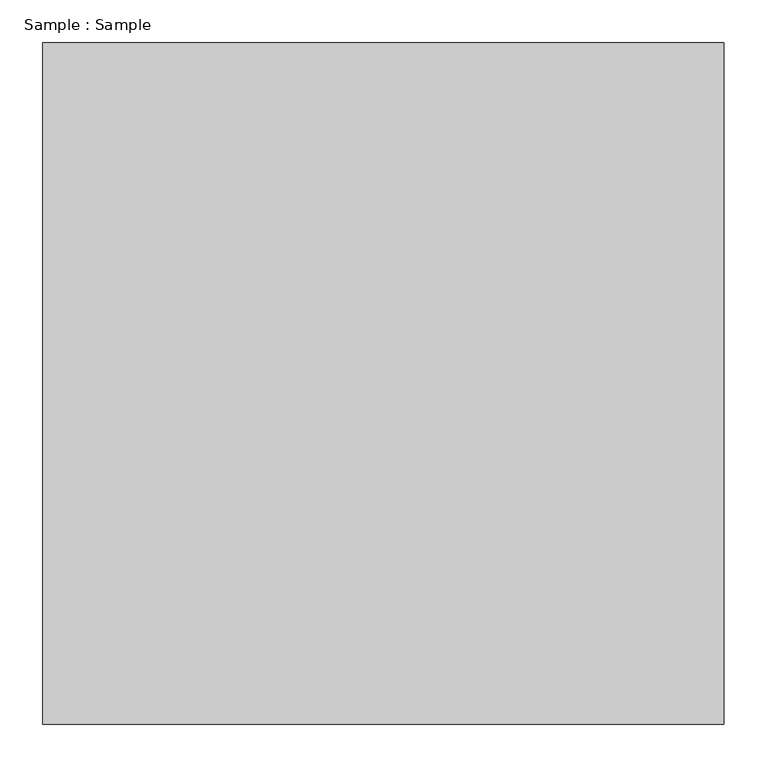
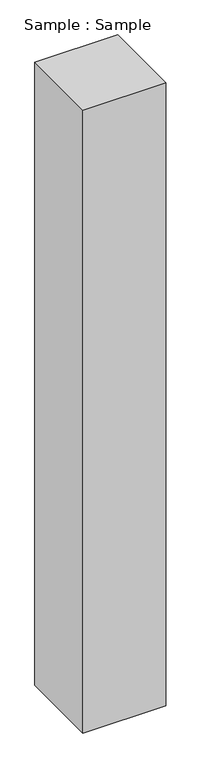
"""IFC4 building model written with IfcOpenShell, lengths in millimetres: proxy geometry, Sample : Sample."""

from ifc_helpers import new_model, si_unit, origin, origin_with_axes, place, context, project, spatial, polyline, outline, extrude, source, transform, mapped, element, save


def sample_sample_1f20daef(model_context):
    return source(origin(), model_context, "Body", "SweptSolid", [
        extrude(outline(polyline([(400.0, 400.0), (400.0, -400.0), (-400.0, -400.0), (-400.0, 400.0), (400.0, 400.0)])), origin_with_axes(), (0.0, 0.0, 1.0), 6344.8275862),
    ])


if __name__ == "__main__":
    model = new_model("IFC4")
    model_context = context("Model", 3, world=origin())
    ifc_project = project(units=[si_unit("LENGTHUNIT", "METRE", prefix="MILLI")], contexts=[model_context])
    site = spatial("IfcSite", under=ifc_project)
    building = spatial("IfcBuilding", under=site)
    placement = place(None, origin())
    sample_sample_shape = sample_sample_1f20daef(model_context)
    element("IfcBuildingElementProxy", 1, Name="Sample : Sample", ObjectType="Sample : Sample", at=placement, inside=building, context=model_context, shape_type="MappedRepresentation", body=[
        mapped(sample_sample_shape, transform((0.0, 0.0, 0.0), x_axis=(1.0, 0.0, 0.0), y_axis=(0.0, 1.0, 0.0), z_axis=(0.0, 0.0, 1.0))),
    ])
    save(model, "model.ifc")
